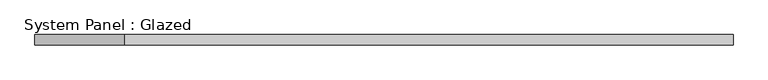
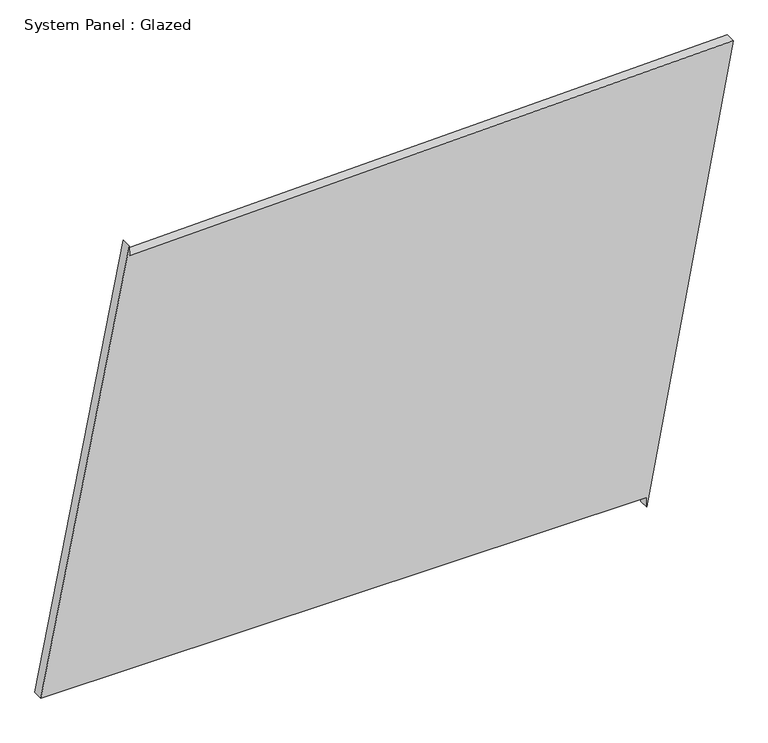
"""IFC4 building model written with IfcOpenShell, lengths in millimetres: plate geometry, System Panel : Glazed."""

from ifc_helpers import new_model, si_unit, frame, origin, place, context, project, spatial, polyline, outline, extrude, source, transform, mapped, element, save


def system_panel_glazed_9a1b808d(model_context):
    return source(origin(), model_context, "Body", "SweptSolid", [
        extrude(outline(polyline([(25.0, 641.2847006), (0.0, 641.2847006), (1143.0992924, 854.2180481), (1104.0482678, -635.1998092), (1129.0396792, -635.8550586), (25.0, -854.2180481), (25.0, 641.2847006)])), frame((0.0, -49.5, 0.0), z_axis=(0.0, 1.0, 0.0), x_axis=(0.0, 0.0, 1.0)), (0.0, 0.0, 1.0), 25.0),
    ])


if __name__ == "__main__":
    model = new_model("IFC4")
    model_context = context("Model", 3, world=origin())
    ifc_project = project(units=[si_unit("LENGTHUNIT", "METRE", prefix="MILLI")], contexts=[model_context])
    site = spatial("IfcSite", under=ifc_project)
    building = spatial("IfcBuilding", under=site)
    placement = place(None, origin())
    system_panel_glazed_shape = system_panel_glazed_9a1b808d(model_context)
    element("IfcPlate", 1, ObjectType="System Panel : Glazed", at=placement, inside=building, context=model_context, shape_type="MappedRepresentation", body=[
        mapped(system_panel_glazed_shape, transform((0.0, 0.0, 0.0), x_axis=(1.0, 0.0, 0.0), y_axis=(0.0, 1.0, 0.0), z_axis=(0.0, 0.0, 1.0))),
    ])
    save(model, "model.ifc")
